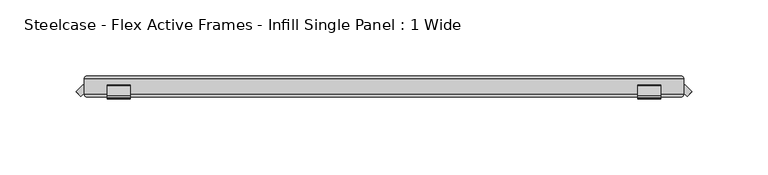
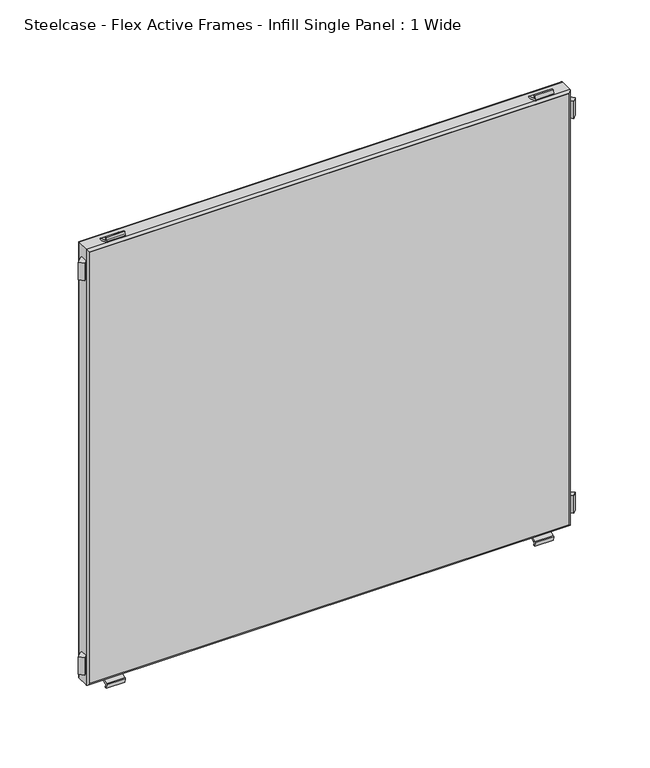
"""IFC4 building model written with IfcOpenShell, lengths in millimetres: furniture geometry, Steelcase - Flex Active Frames - Infill Single Panel : 1 Wide."""

from ifc_helpers import new_model, si_unit, point, frame, frame_2d, origin, place, context, project, spatial, polyline, circle_curve, ellipse_curve, trimmed, segment, composite_curve, outline, extrude, source, transform, mapped, element, save
from ifc_brep_helpers import plane_surface, cylinder_surface, advanced_brep


def steelcase_flex_active_frames_infill_single_panel_1_wide_9c981f17(model_context):
    return source(origin(), model_context, "Body", "SolidModel", [
        extrude(outline(composite_curve([segment(polyline([(5.9111802, 381.5885542), (-0.8975617, 384.065656)]), True, "CONTINUOUS"), segment(trimmed(circle_curve(frame_2d((-0.6921967, 384.6301374)), 0.6006779), [point((-0.8975617, 384.065656))], [point((-1.2842404, 384.7316172))], False, "CARTESIAN"), True, "CONTINUOUS"), segment(polyline([(-1.2842404, 384.7316172), (-0.6936424, 388.1772262), (0.7999207, 387.9155571), (0.4119794, 385.7147232)]), True, "CONTINUOUS"), segment(trimmed(circle_curve(frame_2d((1.0061566, 385.6099875)), 0.6033374), [point((0.4119794, 385.7147232))], [point((0.8009038, 385.0426363))], True, "CARTESIAN"), True, "CONTINUOUS"), segment(polyline([(0.8009038, 385.0426363), (7.3392807, 382.6772232)]), True, "CONTINUOUS"), segment(trimmed(circle_curve(frame_2d((6.994052, 381.7229562)), 1.0147947), [point((7.3392807, 382.6772232))], [point((7.999907, 381.5885542))], False, "CARTESIAN"), True, "CONTINUOUS"), segment(polyline([(7.999907, 381.5885542), (5.9111802, 381.5885542)]), True, "CONTINUOUS")], self_intersect=False)), frame((363.9302997, 0.0, 0.0), z_axis=(1.0, 0.0, 0.0), x_axis=(0.0, 1.0, 0.0)), (0.0, 0.0, 1.0), 15.0034447),
        extrude(outline(composite_curve([segment(polyline([(5.9110829, 6.5887186), (7.9997063, 6.5887186)]), True, "CONTINUOUS"), segment(trimmed(circle_curve(frame_2d((6.9941469, 6.4541073)), 1.0145294), [point((7.9997063, 6.5887186))], [point((7.3392807, 5.5000882))], False, "CARTESIAN"), True, "CONTINUOUS"), segment(polyline([(7.3392807, 5.5000882), (0.7777558, 3.1263368)]), True, "CONTINUOUS"), segment(trimmed(circle_curve(frame_2d((0.9730442, 2.5865202)), 0.5740553), [point((0.7777558, 3.1263368))], [point((0.4077045, 2.4868687))], True, "CARTESIAN"), True, "CONTINUOUS"), segment(polyline([(0.4077045, 2.4868687), (0.7999445, 0.2616253), (-0.6935028, -2.35e-05), (-1.2816187, 3.4297567)]), True, "CONTINUOUS"), segment(trimmed(circle_curve(frame_2d((-0.6705511, 3.5345385)), 0.6199861), [point((-1.2816187, 3.4297567))], [point((-0.8825145, 4.1171655))], False, "CARTESIAN"), True, "CONTINUOUS"), segment(polyline([(-0.8825145, 4.1171655), (5.9110829, 6.5887186)]), True, "CONTINUOUS")], self_intersect=False)), frame((363.9302997, 0.0, 0.0), z_axis=(1.0, 0.0, 0.0), x_axis=(0.0, 1.0, 0.0)), (0.0, 0.0, 1.0), 15.0034447),
        extrude(outline(composite_curve([segment(polyline([(5.9111802, 381.5885542), (-0.8975617, 384.065656)]), True, "CONTINUOUS"), segment(trimmed(circle_curve(frame_2d((-0.6921967, 384.6301374)), 0.6006779), [point((-0.8975617, 384.065656))], [point((-1.2842404, 384.7316172))], False, "CARTESIAN"), True, "CONTINUOUS"), segment(polyline([(-1.2842404, 384.7316172), (-0.6936424, 388.1772262), (0.7999207, 387.9155571), (0.4119794, 385.7147232)]), True, "CONTINUOUS"), segment(trimmed(circle_curve(frame_2d((1.0061566, 385.6099875)), 0.6033374), [point((0.4119794, 385.7147232))], [point((0.8009038, 385.0426363))], True, "CARTESIAN"), True, "CONTINUOUS"), segment(polyline([(0.8009038, 385.0426363), (7.3392807, 382.6772232)]), True, "CONTINUOUS"), segment(trimmed(circle_curve(frame_2d((6.994052, 381.7229562)), 1.0147947), [point((7.3392807, 382.6772232))], [point((7.999907, 381.5885542))], False, "CARTESIAN"), True, "CONTINUOUS"), segment(polyline([(7.999907, 381.5885542), (5.9111802, 381.5885542)]), True, "CONTINUOUS")], self_intersect=False)), frame((15.0199771, 0.0, 0.0), z_axis=(1.0, 0.0, 0.0), x_axis=(0.0, 1.0, 0.0)), (0.0, 0.0, 1.0), 15.0034326),
        extrude(outline(composite_curve([segment(polyline([(5.9110829, 6.5887186), (7.9997063, 6.5887186)]), True, "CONTINUOUS"), segment(trimmed(circle_curve(frame_2d((6.9941469, 6.4541073)), 1.0145294), [point((7.9997063, 6.5887186))], [point((7.3392807, 5.5000882))], False, "CARTESIAN"), True, "CONTINUOUS"), segment(polyline([(7.3392807, 5.5000882), (0.7777558, 3.1263368)]), True, "CONTINUOUS"), segment(trimmed(circle_curve(frame_2d((0.9730442, 2.5865202)), 0.5740553), [point((0.7777558, 3.1263368))], [point((0.4077045, 2.4868687))], True, "CARTESIAN"), True, "CONTINUOUS"), segment(polyline([(0.4077045, 2.4868687), (0.7999445, 0.2616253), (-0.6935028, -2.35e-05), (-1.2816187, 3.4297567)]), True, "CONTINUOUS"), segment(trimmed(circle_curve(frame_2d((-0.6705511, 3.5345385)), 0.6199861), [point((-1.2816187, 3.4297567))], [point((-0.8825145, 4.1171655))], False, "CARTESIAN"), True, "CONTINUOUS"), segment(polyline([(-0.8825145, 4.1171655), (5.9110829, 6.5887186)]), True, "CONTINUOUS")], self_intersect=False)), frame((15.0199771, 0.0, 0.0), z_axis=(1.0, 0.0, 0.0), x_axis=(0.0, 1.0, 0.0)), (0.0, 0.0, 1.0), 15.0034326),
        extrude(outline(polyline([(393.954, 2.5030965), (393.954, 7.9998993), (394.9914367, 7.9998993), (399.3983382, 3.5722626), (396.1576446, 0.3282745), (393.954, 2.5030965)])), frame((0.0, 0.0, 16.6556237), z_axis=(0.0, 0.0, 1.0), x_axis=(1.0, 0.0, 0.0)), (0.0, 0.0, 1.0), 14.9643454),
        extrude(outline(polyline([(0.0, 7.9997055), (0.0, 2.5031537), (-2.2038989, 0.3280807), (-5.4446047, 3.5720566), (-1.0377395, 7.9997055), (0.0, 7.9997055)])), frame((0.0, 0.0, 16.6556237), z_axis=(0.0, 0.0, 1.0), x_axis=(1.0, 0.0, 0.0)), (0.0, 0.0, 1.0), 14.9643454),
        extrude(outline(polyline([(393.954, 2.5030965), (393.954, 7.9998993), (394.9914367, 7.9998993), (399.3983382, 3.5722626), (396.1576446, 0.3282745), (393.954, 2.5030965)])), frame((0.0, 0.0, 356.5573544), z_axis=(0.0, 0.0, 1.0), x_axis=(1.0, 0.0, 0.0)), (0.0, 0.0, 1.0), 14.9650265),
        extrude(outline(polyline([(0.0, 7.9997055), (0.0, 2.5031537), (-2.2038989, 0.3280807), (-5.4446047, 3.5720566), (-1.0377395, 7.9997055), (0.0, 7.9997055)])), frame((0.0, 0.0, 356.5573544), z_axis=(0.0, 0.0, 1.0), x_axis=(1.0, 0.0, 0.0)), (0.0, 0.0, 1.0), 14.9650265),
        extrude(outline(polyline([(392.0215623, 13.9997269), (392.0215623, 0.0), (1.9324377, 0.0), (1.9324377, 13.9997269), (392.0215623, 13.9997269)])), frame((0.0, 0.0, 8.5211562), z_axis=(0.0, 0.0, 1.0), x_axis=(1.0, 0.0, 0.0)), (0.0, 0.0, 1.0), 371.1349603),
        advanced_brep(
        [(0.0, 12.0672892, 381.5885542), (0.0, 12.0672892, 6.5887186), (0.0, 1.9324377, 6.5887186), (0.0, 1.9324377, 381.5885542), (1.9324377, 0.0, 379.6561165), (1.9324377, 0.0, 8.5211562), (1.9324377, 13.9997269, 8.5211562), (1.9324377, 13.9997269, 379.6561165), (393.954, 12.0672892, 6.5887186), (393.954, 1.9324377, 6.5887186), (392.0215623, 0.0, 8.5211562), (392.0215623, 13.9997269, 8.5211562), (393.954, 12.0672892, 381.5885542), (393.954, 1.9324377, 381.5885542), (392.0215623, 0.0, 379.6561165), (392.0215623, 13.9997269, 379.6561165)],
        [
            (0, 1),
            (1, 2),
            (2, 3),
            (3, 0),
            (4, 5),
            (5, 6),
            (6, 7),
            (7, 4),
            (1, 8),
            (8, 9),
            (9, 2),
            (5, 10),
            (10, 11),
            (11, 6),
            (8, 12),
            (12, 13),
            (13, 9),
            (10, 14),
            (14, 15),
            (15, 11),
            (12, 0),
            (3, 13),
            (14, 4),
            (7, 15),
            (2, 5, ellipse_curve(frame((1.9324377, 1.9324377, 8.5211562), z_axis=(-0.7071067811865475, 0.0, 0.7071067811865475), x_axis=(0.7071067811865474, 0.0, 0.7071067811865476)), 2.7328796, 1.9324377)),
            (4, 3, ellipse_curve(frame((1.9324377, 1.9324377, 379.6561165), z_axis=(-0.7071067811865475, 0.0, -0.7071067811865475), x_axis=(-0.7071067811865474, 0.0, 0.7071067811865476)), 2.7328796, 1.9324377)),
            (6, 1, ellipse_curve(frame((1.9324377, 12.0672892, 8.5211562), z_axis=(-0.7071067811865475, 0.0, 0.7071067811865475), x_axis=(0.7071067811865474, 0.0, 0.7071067811865476)), 2.7328796, 1.9324377)),
            (0, 7, ellipse_curve(frame((1.9324377, 12.0672892, 379.6561165), z_axis=(-0.7071067811865475, 0.0, -0.7071067811865475), x_axis=(-0.7071067811865474, 0.0, 0.7071067811865476)), 2.7328796, 1.9324377)),
            (9, 10, ellipse_curve(frame((392.0215623, 1.9324377, 8.5211562), z_axis=(-0.7071067811865475, 0.0, -0.7071067811865475), x_axis=(-0.7071067811865476, 0.0, 0.7071067811865474)), 2.7328796, 1.9324377)),
            (11, 8, ellipse_curve(frame((392.0215623, 12.0672892, 8.5211562), z_axis=(-0.7071067811865475, 0.0, -0.7071067811865475), x_axis=(-0.7071067811865476, 0.0, 0.7071067811865474)), 2.7328796, 1.9324377)),
            (13, 14, ellipse_curve(frame((392.0215623, 1.9324377, 379.6561165), z_axis=(0.7071067811865475, 0.0, -0.7071067811865475), x_axis=(-0.7071067811865474, 0.0, -0.7071067811865476)), 2.7328796, 1.9324377)),
            (15, 12, ellipse_curve(frame((392.0215623, 12.0672892, 379.6561165), z_axis=(0.7071067811865475, 0.0, -0.7071067811865475), x_axis=(-0.7071067811865474, 0.0, -0.7071067811865476)), 2.7328796, 1.9324377)),
        ],
        [
            plane_surface(frame((0.0, 1.9324377, 381.5885542), z_axis=(-1.0, 0.0, 0.0), x_axis=(0.0, 0.0, -1.0))),
            plane_surface(frame((1.9324377, 13.9997269, 379.6561165), z_axis=(1.0, 0.0, 0.0), x_axis=(0.0, 0.0, -1.0))),
            plane_surface(frame((0.0, 1.9324377, 6.5887186), z_axis=(0.0, 0.0, -1.0), x_axis=(1.0, 0.0, 0.0))),
            plane_surface(frame((1.9324377, 13.9997269, 8.5211562), z_axis=(0.0, 0.0, 1.0), x_axis=(1.0, 0.0, 0.0))),
            plane_surface(frame((393.954, 1.9324377, 6.5887186), z_axis=(1.0, 0.0, 0.0), x_axis=(0.0, 0.0, 1.0))),
            plane_surface(frame((392.0215623, 13.9997269, 8.5211562), z_axis=(-1.0, 0.0, 0.0), x_axis=(0.0, 0.0, 1.0))),
            plane_surface(frame((393.954, 1.9324377, 381.5885542), z_axis=(0.0, 0.0, 1.0), x_axis=(-1.0, 0.0, 0.0))),
            plane_surface(frame((392.0215623, 13.9997269, 379.6561165), z_axis=(0.0, 0.0, -1.0), x_axis=(-1.0, 0.0, 0.0))),
            cylinder_surface(frame((1.9324377, 1.9324377, 381.5885542), z_axis=(0.0, 0.0, 1.0), x_axis=(1.0, 0.0, 0.0)), 1.9324377),
            cylinder_surface(frame((1.9324377, 12.0672892, 381.5885542), z_axis=(0.0, 0.0, 1.0), x_axis=(1.0, 0.0, 0.0)), 1.9324377),
            cylinder_surface(frame((0.0, 1.9324377, 8.5211562), z_axis=(-1.0, 0.0, 0.0), x_axis=(0.0, 0.0, 1.0)), 1.9324377),
            cylinder_surface(frame((0.0, 12.0672892, 8.5211562), z_axis=(-1.0, 0.0, 0.0), x_axis=(0.0, 0.0, 1.0)), 1.9324377),
            cylinder_surface(frame((392.0215623, 1.9324377, 6.5887186), z_axis=(0.0, 0.0, -1.0), x_axis=(-1.0, 0.0, 0.0)), 1.9324377),
            cylinder_surface(frame((392.0215623, 12.0672892, 6.5887186), z_axis=(0.0, 0.0, -1.0), x_axis=(-1.0, 0.0, 0.0)), 1.9324377),
            cylinder_surface(frame((393.954, 1.9324377, 379.6561165), z_axis=(1.0, 0.0, 0.0), x_axis=(0.0, 0.0, -1.0)), 1.9324377),
            cylinder_surface(frame((393.954, 12.0672892, 379.6561165), z_axis=(1.0, 0.0, 0.0), x_axis=(0.0, 0.0, -1.0)), 1.9324377),
        ],
        [
            (0, [[1, 2, 3, 4]]),
            (1, [[5, 6, 7, 8]]),
            (2, [[9, 10, 11, -2]]),
            (3, [[12, 13, 14, -6]]),
            (4, [[15, 16, 17, -10]]),
            (5, [[18, 19, 20, -13]]),
            (6, [[21, -4, 22, -16]]),
            (7, [[23, -8, 24, -19]]),
            (8, [[-3, 25, -5, 26]]),
            (9, [[-7, 27, -1, 28]]),
            (10, [[-11, 29, -12, -25]]),
            (11, [[-14, 30, -9, -27]]),
            (12, [[-17, 31, -18, -29]]),
            (13, [[-20, 32, -15, -30]]),
            (14, [[-22, -26, -23, -31]]),
            (15, [[-24, -28, -21, -32]]),
        ],
    ),
    ])


if __name__ == "__main__":
    model = new_model("IFC4")
    model_context = context("Model", 3, world=origin())
    ifc_project = project(units=[si_unit("LENGTHUNIT", "METRE", prefix="MILLI")], contexts=[model_context])
    site = spatial("IfcSite", under=ifc_project)
    building = spatial("IfcBuilding", under=site)
    placement = place(None, origin())
    steelcase_flex_active_frames_infill_single_panel_1_wide_shape = steelcase_flex_active_frames_infill_single_panel_1_wide_9c981f17(model_context)
    element("IfcFurniture", 1, ObjectType="Steelcase - Flex Active Frames - Infill Single Panel : 1 Wide", at=placement, inside=building, context=model_context, shape_type="MappedRepresentation", body=[
        mapped(steelcase_flex_active_frames_infill_single_panel_1_wide_shape, transform((0.0, 0.0, 0.0), x_axis=(1.0, 0.0, 0.0), y_axis=(0.0, 1.0, 0.0), z_axis=(0.0, 0.0, 1.0))),
    ])
    save(model, "model.ifc")
